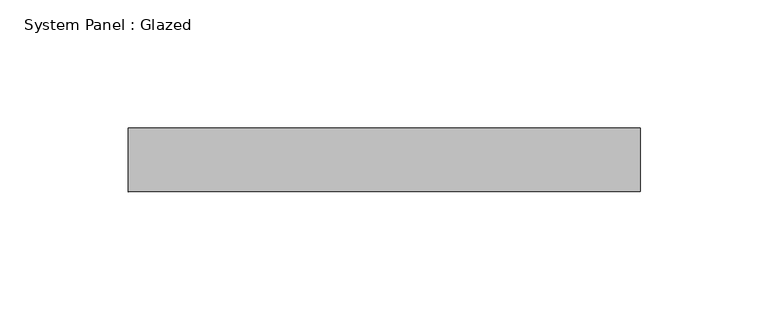
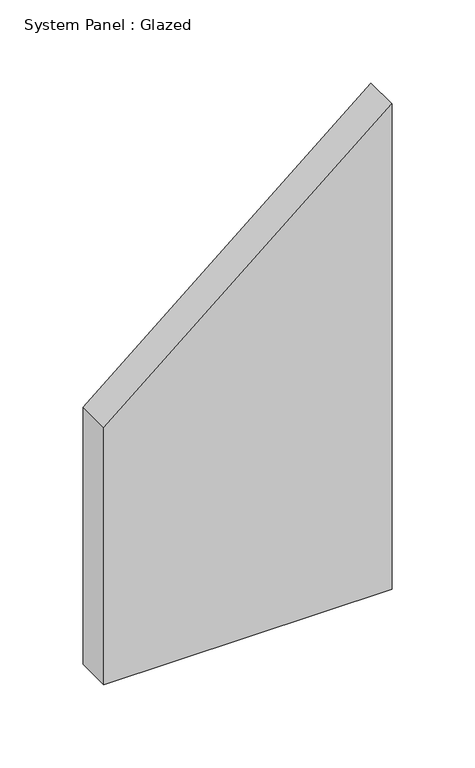
"""IFC4 building model written with IfcOpenShell, lengths in millimetres: plate geometry, System Panel : Glazed."""

from ifc_helpers import new_model, si_unit, frame, origin, place, context, project, spatial, polyline, outline, extrude, source, transform, mapped, element, save


def system_panel_glazed_1ce8eda0(model_context):
    return source(origin(), model_context, "Body", "SweptSolid", [
        extrude(outline(polyline([(0.0, -100.0), (0.0, 100.0), (356.398525, 100.0), (188.5785987, -100.0), (0.0, -100.0)])), frame((0.0, 24.5, 0.0), z_axis=(0.0, 1.0, 0.0), x_axis=(0.0, 0.0, 1.0)), (0.0, 0.0, 1.0), 25.0),
    ])


if __name__ == "__main__":
    model = new_model("IFC4")
    model_context = context("Model", 3, world=origin())
    ifc_project = project(units=[si_unit("LENGTHUNIT", "METRE", prefix="MILLI")], contexts=[model_context])
    site = spatial("IfcSite", under=ifc_project)
    building = spatial("IfcBuilding", under=site)
    placement = place(None, origin())
    system_panel_glazed_shape = system_panel_glazed_1ce8eda0(model_context)
    element("IfcPlate", 1, ObjectType="System Panel : Glazed", at=placement, inside=building, context=model_context, shape_type="MappedRepresentation", body=[
        mapped(system_panel_glazed_shape, transform((0.0, 0.0, 0.0), x_axis=(1.0, 0.0, 0.0), y_axis=(0.0, 1.0, 0.0), z_axis=(0.0, 0.0, 1.0))),
    ])
    save(model, "model.ifc")
